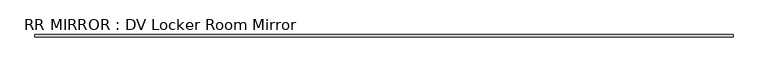
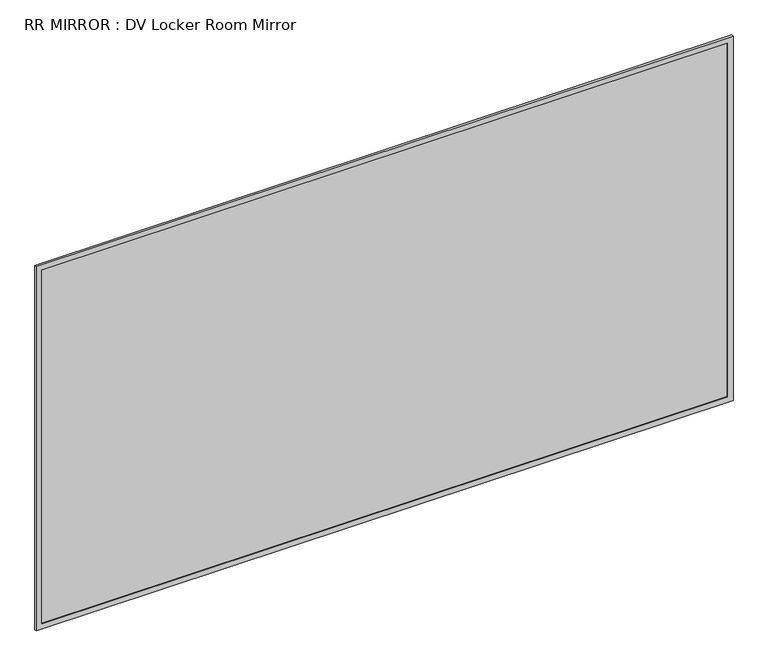
"""IFC4 building model written with IfcOpenShell, lengths in millimetres: proxy geometry, RR MIRROR : DV Locker Room Mirror."""

from ifc_helpers import new_model, si_unit, frame, origin, place, context, project, spatial, polyline, outline, extrude, source, transform, mapped, element, save


def rr_mirror_dv_locker_room_mirror_3fc77263(model_context):
    return source(origin(), model_context, "Body", "SweptSolid", [
        extrude(outline(polyline([(1536.7, -61.9125), (1536.7, -68.2625), (-1536.7, -68.2625), (-1536.7, -61.9125), (1536.7, -61.9125)])), frame((0.0, 0.0, 1041.4), z_axis=(0.0, 0.0, 1.0), x_axis=(1.0, 0.0, 0.0)), (0.0, 0.0, 1.0), 1676.4),
        extrude(outline(polyline([(2743.2, -1562.1), (1016.0, -1562.1), (1016.0, 1562.1), (2743.2, 1562.1), (2743.2, -1562.1)]), holes=[polyline([(2717.8, -1536.7), (2717.8, 1536.7), (1041.4, 1536.7), (1041.4, -1536.7), (2717.8, -1536.7)])]), frame((0.0, -71.4375, 0.0), z_axis=(0.0, 1.0, 0.0), x_axis=(0.0, 0.0, 1.0)), (0.0, 0.0, 1.0), 9.525),
    ])


if __name__ == "__main__":
    model = new_model("IFC4")
    model_context = context("Model", 3, world=origin())
    ifc_project = project(units=[si_unit("LENGTHUNIT", "METRE", prefix="MILLI")], contexts=[model_context])
    site = spatial("IfcSite", under=ifc_project)
    building = spatial("IfcBuilding", under=site)
    placement = place(None, origin())
    rr_mirror_dv_locker_room_mirror_shape = rr_mirror_dv_locker_room_mirror_3fc77263(model_context)
    element("IfcBuildingElementProxy", 1, Name="RR MIRROR : DV Locker Room Mirror", ObjectType="RR MIRROR : DV Locker Room Mirror", at=placement, inside=building, context=model_context, shape_type="MappedRepresentation", body=[
        mapped(rr_mirror_dv_locker_room_mirror_shape, transform((0.0, 0.0, 0.0), x_axis=(1.0, 0.0, 0.0), y_axis=(0.0, 1.0, 0.0), z_axis=(0.0, 0.0, 1.0))),
    ])
    save(model, "model.ifc")
